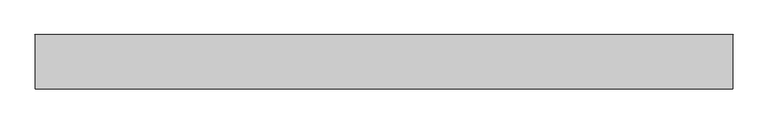
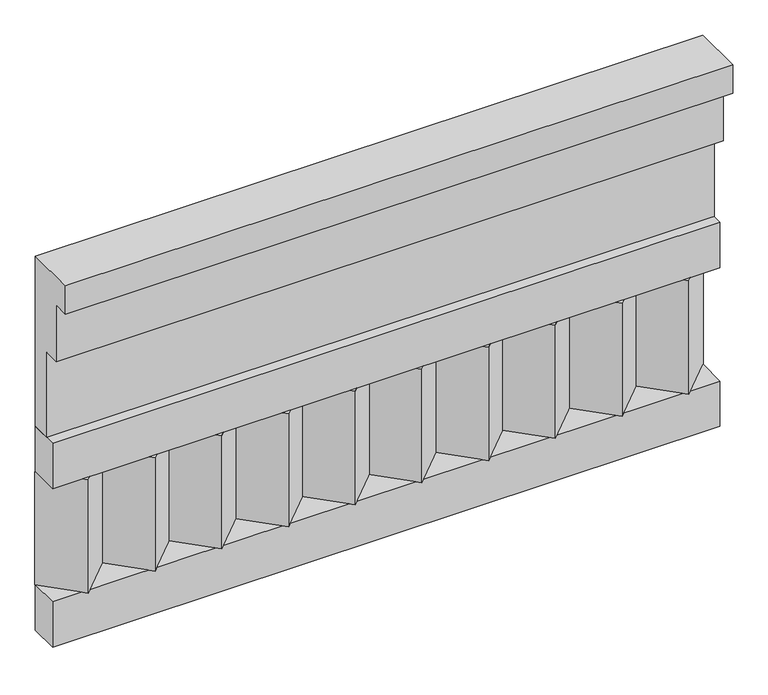
"""IFC4 building model written with IfcOpenShell, lengths in millimetres: railing geometry."""

from ifc_helpers import new_model, si_unit, frame, origin, place, context, project, spatial, polyline, outline, extrude, source, transform, mapped, element, save


def railing_76f99da2(model_context):
    return source(origin(), model_context, "Body", "SweptSolid", [
        extrude(outline(polyline([(-16816.8920513, 25100.0), (-16816.8920513, 24650.0), (-16866.8920513, 24650.0), (-16866.8920513, 24875.0), (-16906.8920513, 24875.0), (-16906.8920513, 25025.0), (-16946.8920513, 25025.0), (-16946.8920513, 25100.0), (-16816.8920513, 25100.0)])), frame((26190.0112841, 0.0, 0.0), z_axis=(1.0, 0.0, 0.0), x_axis=(0.0, 1.0, 0.0)), (0.0, 0.0, 1.0), 1670.0),
        extrude(outline(polyline([(26190.0112841, -16891.8920513), (26190.0112841, -16816.8920513), (27860.0112841, -16816.8920513), (27860.0112841, -16891.8920513), (26190.0112841, -16891.8920513)])), frame((0.0, 0.0, 24530.0), z_axis=(0.0, 0.0, 1.0), x_axis=(1.0, 0.0, 0.0)), (0.0, 0.0, 1.0), 120.0),
        extrude(outline(polyline([(26190.0112841, -16891.8920513), (26190.0112841, -16816.8920513), (27860.0112841, -16816.8920513), (27860.0112841, -16891.8920513), (26190.0112841, -16891.8920513)])), frame((0.0, 0.0, 24110.0), z_axis=(0.0, 0.0, 1.0), x_axis=(1.0, 0.0, 0.0)), (0.0, 0.0, 1.0), 120.0),
        extrude(outline(polyline([(27776.5112841, -16901.7448651), (27691.6584704, -16816.8920513), (27861.3640978, -16816.8920513), (27776.5112841, -16901.7448651)])), frame((0.0, 0.0, 24230.0), z_axis=(0.0, 0.0, 1.0), x_axis=(1.0, 0.0, 0.0)), (0.0, 0.0, 1.0), 300.0),
        extrude(outline(polyline([(27609.5112841, -16901.7448651), (27524.6584704, -16816.8920513), (27694.3640978, -16816.8920513), (27609.5112841, -16901.7448651)])), frame((0.0, 0.0, 24230.0), z_axis=(0.0, 0.0, 1.0), x_axis=(1.0, 0.0, 0.0)), (0.0, 0.0, 1.0), 300.0),
        extrude(outline(polyline([(27442.5112841, -16901.7448651), (27357.6584704, -16816.8920513), (27527.3640978, -16816.8920513), (27442.5112841, -16901.7448651)])), frame((0.0, 0.0, 24230.0), z_axis=(0.0, 0.0, 1.0), x_axis=(1.0, 0.0, 0.0)), (0.0, 0.0, 1.0), 300.0),
        extrude(outline(polyline([(27275.5112841, -16901.7448651), (27190.6584704, -16816.8920513), (27360.3640978, -16816.8920513), (27275.5112841, -16901.7448651)])), frame((0.0, 0.0, 24230.0), z_axis=(0.0, 0.0, 1.0), x_axis=(1.0, 0.0, 0.0)), (0.0, 0.0, 1.0), 300.0),
        extrude(outline(polyline([(27108.5112841, -16901.7448651), (27023.6584704, -16816.8920513), (27193.3640978, -16816.8920513), (27108.5112841, -16901.7448651)])), frame((0.0, 0.0, 24230.0), z_axis=(0.0, 0.0, 1.0), x_axis=(1.0, 0.0, 0.0)), (0.0, 0.0, 1.0), 300.0),
        extrude(outline(polyline([(26941.5112841, -16901.7448651), (26856.6584704, -16816.8920513), (27026.3640978, -16816.8920513), (26941.5112841, -16901.7448651)])), frame((0.0, 0.0, 24230.0), z_axis=(0.0, 0.0, 1.0), x_axis=(1.0, 0.0, 0.0)), (0.0, 0.0, 1.0), 300.0),
        extrude(outline(polyline([(26774.5112841, -16901.7448651), (26689.6584704, -16816.8920513), (26859.3640978, -16816.8920513), (26774.5112841, -16901.7448651)])), frame((0.0, 0.0, 24230.0), z_axis=(0.0, 0.0, 1.0), x_axis=(1.0, 0.0, 0.0)), (0.0, 0.0, 1.0), 300.0),
        extrude(outline(polyline([(26607.5112841, -16901.7448651), (26522.6584704, -16816.8920513), (26692.3640978, -16816.8920513), (26607.5112841, -16901.7448651)])), frame((0.0, 0.0, 24230.0), z_axis=(0.0, 0.0, 1.0), x_axis=(1.0, 0.0, 0.0)), (0.0, 0.0, 1.0), 300.0),
        extrude(outline(polyline([(26440.5112841, -16901.7448651), (26355.6584704, -16816.8920513), (26525.3640978, -16816.8920513), (26440.5112841, -16901.7448651)])), frame((0.0, 0.0, 24230.0), z_axis=(0.0, 0.0, 1.0), x_axis=(1.0, 0.0, 0.0)), (0.0, 0.0, 1.0), 300.0),
        extrude(outline(polyline([(26273.5112841, -16901.7448651), (26188.6584704, -16816.8920513), (26358.3640978, -16816.8920513), (26273.5112841, -16901.7448651)])), frame((0.0, 0.0, 24230.0), z_axis=(0.0, 0.0, 1.0), x_axis=(1.0, 0.0, 0.0)), (0.0, 0.0, 1.0), 300.0),
    ])


if __name__ == "__main__":
    model = new_model("IFC4")
    model_context = context("Model", 3, world=origin())
    ifc_project = project(units=[si_unit("LENGTHUNIT", "METRE", prefix="MILLI")], contexts=[model_context])
    site = spatial("IfcSite", under=ifc_project)
    building = spatial("IfcBuilding", under=site)
    placement = place(None, origin())
    railing_shape = railing_76f99da2(model_context)
    element("IfcRailing", 1, at=placement, inside=building, context=model_context, shape_type="MappedRepresentation", body=[
        mapped(railing_shape, transform((0.0, 0.0, 0.0), x_axis=(1.0, 0.0, 0.0), y_axis=(0.0, 1.0, 0.0), z_axis=(0.0, 0.0, 1.0))),
    ])
    save(model, "model.ifc")
